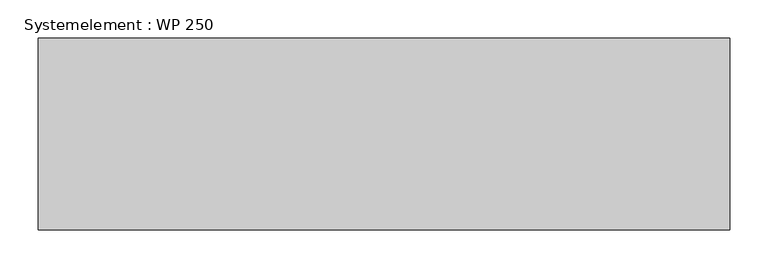
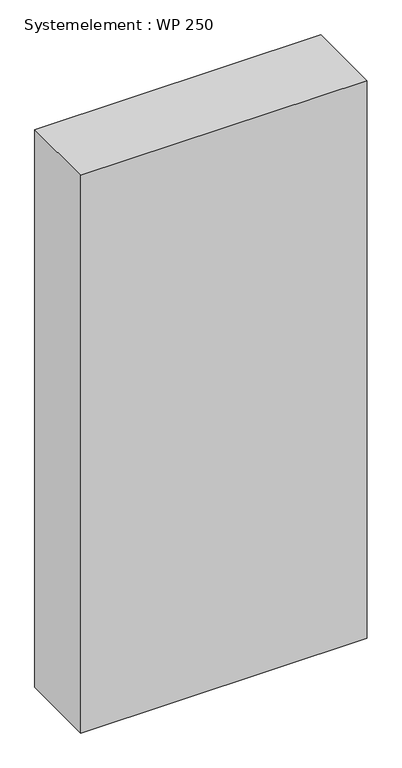
"""IFC4 building model written with IfcOpenShell, lengths in millimetres: plate geometry, Systemelement : WP 250."""

from ifc_helpers import new_model, si_unit, origin, origin_with_axes, place, context, project, spatial, polyline, outline, extrude, source, transform, mapped, element, save


def systemelement_wp_250_8fbdfd53(model_context):
    return source(origin(), model_context, "Body", "SweptSolid", [
        extrude(outline(polyline([(450.0, -250.0), (-450.0, -250.0), (-450.0, 0.0), (450.0, 0.0), (450.0, -250.0)])), origin_with_axes(), (0.0, 0.0, 1.0), 1851.6147161),
    ])


if __name__ == "__main__":
    model = new_model("IFC4")
    model_context = context("Model", 3, world=origin())
    ifc_project = project(units=[si_unit("LENGTHUNIT", "METRE", prefix="MILLI")], contexts=[model_context])
    site = spatial("IfcSite", under=ifc_project)
    building = spatial("IfcBuilding", under=site)
    placement = place(None, origin())
    systemelement_wp_250_shape = systemelement_wp_250_8fbdfd53(model_context)
    element("IfcPlate", 1, ObjectType="Systemelement : WP 250", at=placement, inside=building, context=model_context, shape_type="MappedRepresentation", body=[
        mapped(systemelement_wp_250_shape, transform((0.0, 0.0, 0.0), x_axis=(1.0, 0.0, 0.0), y_axis=(0.0, 1.0, 0.0), z_axis=(0.0, 0.0, 1.0))),
    ])
    save(model, "model.ifc")
